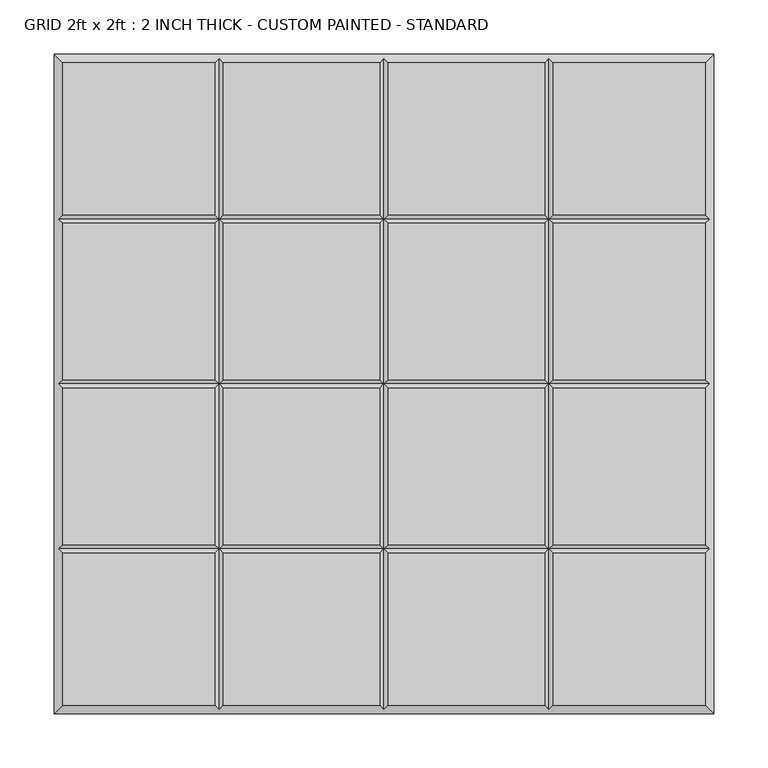
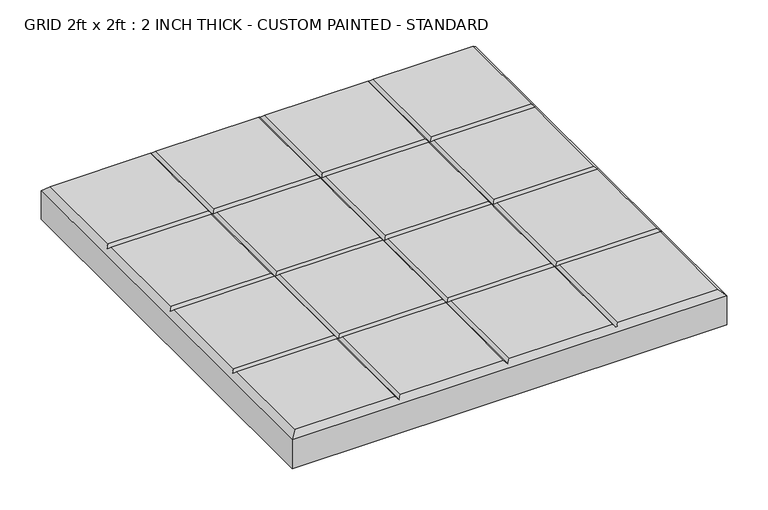
"""IFC4 building model written with IfcOpenShell, lengths in millimetres: proxy geometry, GRID 2ft x 2ft : 2 INCH THICK - CUSTOM PAINTED - STANDARD."""

from ifc_helpers import new_model, si_unit, origin, place, context, project, spatial, faceted_brep, source, transform, mapped, element, save


def grid_2ft_x_2ft_2_inch_thick_custom_painted_standard_5de54c7d(model_context):
    return source(origin(), model_context, "Body", "Brep", [
        faceted_brep([(-156.4009826, 296.799, 50.8), (-296.799, 296.799, 50.8), (-296.799, 156.4005254, 50.8), (-156.4009826, 156.4005254, 50.8), (-296.799, -296.799, 50.8), (-156.4009826, -296.799, 50.8), (-156.4009826, -156.4004746, 50.8), (-296.799, -156.4004746, 50.8), (-4.0004746, 296.799, 50.8), (-148.3999826, 296.799, 50.8), (-148.3999826, 156.4005254, 50.8), (-4.0004746, 156.4005254, 50.8), (-148.3999826, -296.799, 50.8), (-4.0004746, -296.799, 50.8), (-4.0004746, -156.4004746, 50.8), (-148.3999826, -156.4004746, 50.8), (296.799, 296.799, 50.8), (156.4010334, 296.799, 50.8), (156.4010334, 156.4005254, 50.8), (296.799, 156.4005254, 50.8), (148.4000334, 296.799, 50.8), (4.0005254, 296.799, 50.8), (4.0005254, 156.4005254, 50.8), (148.4000334, 156.4005254, 50.8), (156.4010334, -296.799, 50.8), (296.799, -296.799, 50.8), (296.799, -156.4004746, 50.8), (156.4010334, -156.4004746, 50.8), (4.0005254, -296.799, 50.8), (148.4000334, -296.799, 50.8), (148.4000334, -156.4004746, 50.8), (4.0005254, -156.4004746, 50.8), (-156.4009826, 148.3995254, 50.8), (-296.799, 148.3995254, 50.8), (-296.799, 4.0005254, 50.8), (-156.4009826, 4.0005254, 50.8), (296.799, 148.3995254, 50.8), (156.4010334, 148.3995254, 50.8), (156.4010334, 4.0005254, 50.8), (296.799, 4.0005254, 50.8), (-4.0004746, 148.3995254, 50.8), (-148.3999826, 148.3995254, 50.8), (-148.3999826, 4.0005254, 50.8), (-4.0004746, 4.0005254, 50.8), (148.4000334, 148.3995254, 50.8), (4.0005254, 148.3995254, 50.8), (4.0005254, 4.0005254, 50.8), (148.4000334, 4.0005254, 50.8), (-296.799, -148.3994746, 50.8), (-156.4009826, -148.3994746, 50.8), (-156.4009826, -4.0004746, 50.8), (-296.799, -4.0004746, 50.8), (-148.3999826, -148.3994746, 50.8), (-4.0004746, -148.3994746, 50.8), (-4.0004746, -4.0004746, 50.8), (-148.3999826, -4.0004746, 50.8), (156.4010334, -148.3994746, 50.8), (296.799, -148.3994746, 50.8), (296.799, -4.0004746, 50.8), (156.4010334, -4.0004746, 50.8), (4.0005254, -148.3994746, 50.8), (148.4000334, -148.3994746, 50.8), (148.4000334, -4.0004746, 50.8), (4.0005254, -4.0004746, 50.8), (-304.8, 304.8, 0.0), (304.8, 304.8, 0.0), (304.8, -304.8, 0.0), (-304.8, -304.8, 0.0), (-304.8, -304.8, 42.799), (-304.8, 304.8, 42.799), (304.8, -304.8, 42.799), (304.8, 304.8, 42.799), (-152.4004826, 300.7995, 46.7995), (2.54e-05, 300.7995, 46.7995), (152.4005334, 300.7995, 46.7995), (-300.7995, -152.3999746, 46.7995), (-300.7995, 2.54e-05, 46.7995), (-300.7995, 152.4000254, 46.7995), (152.4005334, -300.7995, 46.7995), (2.54e-05, -300.7995, 46.7995), (-152.4004826, -300.7995, 46.7995), (300.7995, 152.4000254, 46.7995), (300.7995, 2.54e-05, 46.7995), (300.7995, -152.3999746, 46.7995), (-152.4004826, 152.4000254, 46.7995), (-152.4004826, -152.3999746, 46.7995), (-152.4004826, 2.54e-05, 46.7995), (2.54e-05, 152.4000254, 46.7995), (2.54e-05, -152.3999746, 46.7995), (2.54e-05, 2.54e-05, 46.7995), (152.4005334, 152.4000254, 46.7995), (152.4005334, -152.3999746, 46.7995), (152.4005334, 2.54e-05, 46.7995)], [[[0, 1, 2, 3]], [[4, 5, 6, 7]], [[8, 9, 10, 11]], [[12, 13, 14, 15]], [[16, 17, 18, 19]], [[20, 21, 22, 23]], [[24, 25, 26, 27]], [[28, 29, 30, 31]], [[32, 33, 34, 35]], [[36, 37, 38, 39]], [[40, 41, 42, 43]], [[44, 45, 46, 47]], [[48, 49, 50, 51]], [[52, 53, 54, 55]], [[56, 57, 58, 59]], [[60, 61, 62, 63]], [[64, 65, 66, 67]], [[64, 67, 68, 69]], [[67, 66, 70, 68]], [[66, 65, 71, 70]], [[65, 64, 69, 71]], [[69, 1, 0, 72, 9, 8, 73, 21, 20, 74, 17, 16, 71]], [[1, 69, 68, 4, 7, 75, 48, 51, 76, 34, 33, 77, 2]], [[4, 68, 70, 25, 24, 78, 29, 28, 79, 13, 12, 80, 5]], [[71, 16, 19, 81, 36, 39, 82, 58, 57, 83, 26, 25, 70]], [[9, 72, 84, 10]], [[80, 12, 15, 85]], [[41, 84, 86, 42]], [[85, 52, 55, 86]], [[72, 0, 3, 84]], [[5, 80, 85, 6]], [[84, 32, 35, 86]], [[49, 85, 86, 50]], [[21, 73, 87, 22]], [[79, 28, 31, 88]], [[45, 87, 89, 46]], [[88, 60, 63, 89]], [[73, 8, 11, 87]], [[13, 79, 88, 14]], [[87, 40, 43, 89]], [[53, 88, 89, 54]], [[17, 74, 90, 18]], [[78, 24, 27, 91]], [[37, 90, 92, 38]], [[91, 56, 59, 92]], [[74, 20, 23, 90]], [[29, 78, 91, 30]], [[90, 44, 47, 92]], [[61, 91, 92, 62]], [[87, 84, 41, 40]], [[90, 87, 45, 44]], [[84, 77, 33, 32]], [[81, 90, 37, 36]], [[84, 87, 11, 10]], [[87, 90, 23, 22]], [[77, 84, 3, 2]], [[90, 81, 19, 18]], [[88, 85, 15, 14]], [[91, 88, 31, 30]], [[85, 75, 7, 6]], [[83, 91, 27, 26]], [[85, 88, 53, 52]], [[88, 91, 61, 60]], [[75, 85, 49, 48]], [[91, 83, 57, 56]], [[89, 86, 55, 54]], [[92, 89, 63, 62]], [[86, 76, 51, 50]], [[82, 92, 59, 58]], [[86, 89, 43, 42]], [[89, 92, 47, 46]], [[76, 86, 35, 34]], [[92, 82, 39, 38]]]),
    ])


if __name__ == "__main__":
    model = new_model("IFC4")
    model_context = context("Model", 3, world=origin())
    ifc_project = project(units=[si_unit("LENGTHUNIT", "METRE", prefix="MILLI")], contexts=[model_context])
    site = spatial("IfcSite", under=ifc_project)
    building = spatial("IfcBuilding", under=site)
    placement = place(None, origin())
    grid_2ft_x_2ft_2_inch_thick_custom_painted_standard_shape = grid_2ft_x_2ft_2_inch_thick_custom_painted_standard_5de54c7d(model_context)
    element("IfcBuildingElementProxy", 1, Name="GRID 2ft x 2ft : 2 INCH THICK - CUSTOM PAINTED - STANDARD", ObjectType="GRID 2ft x 2ft : 2 INCH THICK - CUSTOM PAINTED - STANDARD", at=placement, inside=building, context=model_context, shape_type="MappedRepresentation", body=[
        mapped(grid_2ft_x_2ft_2_inch_thick_custom_painted_standard_shape, transform((0.0, 0.0, 0.0), x_axis=(1.0, 0.0, 0.0), y_axis=(0.0, 1.0, 0.0), z_axis=(0.0, 0.0, 1.0))),
    ])
    save(model, "model.ifc")
